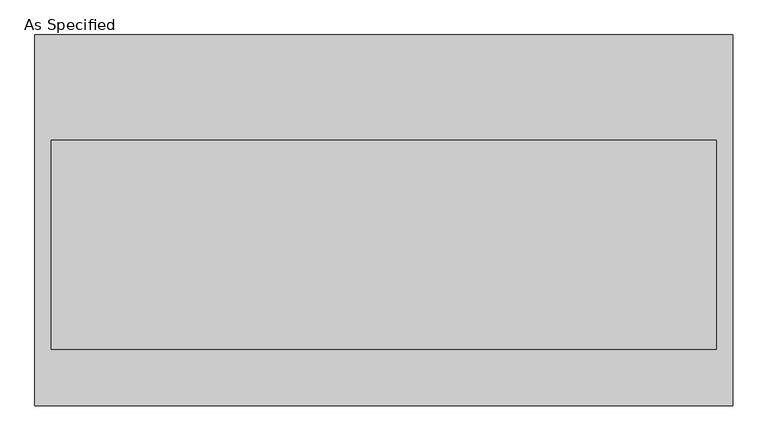
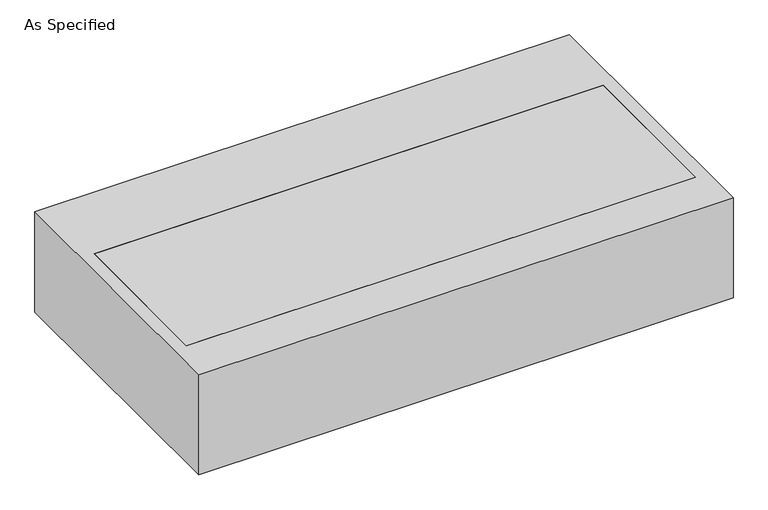
"""IFC4 building model written with IfcOpenShell, lengths in millimetres: proxy geometry, As Specified."""

import ifcopenshell
import ifcopenshell.guid

model = None  # the IFC model being written
_history = None  # IfcOwnerHistory: only IFC2X3 demands one
_inside = {}  # id of a spatial element -> (the spatial element, [elements in it])
_under = {}  # id of a project, library or spatial element -> (it, [spatial elements below it])
_declared = {}  # id of a project -> (the project, [libraries it declares])
_typed = {}  # id of a type object -> (the type object, [elements of that type])
_made_of = {}  # id of a material, layer set ... -> (it, [elements and type objects made of it])


def new_model(schema):
    """Start an empty IFC model of exactly this schema.

    Asked for "IFC4X3", IfcOpenShell would pick the latest addendum, in which some entities
    have other attributes; the version numbers below select the first issue.
    IFC2X3 requires an IfcOwnerHistory on every rooted entity: one is made here for all.
    """
    global model, _history
    if schema == "IFC4X3":
        model = ifcopenshell.file(schema_version=(4, 3, 0, 0))
    else:
        model = ifcopenshell.file(schema=schema)
    _inside.clear()
    _under.clear()
    _declared.clear()
    _typed.clear()
    _made_of.clear()
    _history = None
    if model.schema == "IFC2X3":
        org = make("IfcOrganization", Name="unknown")
        user = make(
            "IfcPersonAndOrganization",
            ThePerson=make("IfcPerson", FamilyName="unknown"),
            TheOrganization=org,
        )
        app = make(
            "IfcApplication",
            ApplicationDeveloper=org,
            Version="unknown",
            ApplicationFullName="unknown",
            ApplicationIdentifier="unknown",
        )
        _history = make(
            "IfcOwnerHistory",
            OwningUser=user,
            OwningApplication=app,
            ChangeAction="ADDED",
            CreationDate=0,
        )
    return model


def make(cls, **values):
    """One entity of the class cls with the attributes given. An attribute that is None is left unset."""
    return model.create_entity(
        cls, **{name: value for name, value in values.items() if value is not None}
    )


def rooted(cls, **values):
    """An entity with a GlobalId (a new one), such as an element, a storey or a relation."""
    return make(cls, GlobalId=ifcopenshell.guid.new(), OwnerHistory=_history, **values)


def si_unit(unit_type, name, prefix=None):
    """IfcSIUnit, for example si_unit("LENGTHUNIT", "METRE", prefix="MILLI")."""
    return make("IfcSIUnit", UnitType=unit_type, Prefix=prefix, Name=name)


def assignment(units):
    """IfcUnitAssignment: the units of a project."""
    return None if units is None else make("IfcUnitAssignment", Units=units)


def point(xyz):
    """IfcCartesianPoint."""
    return None if xyz is None else make("IfcCartesianPoint", Coordinates=xyz)


def direction(xyz):
    """IfcDirection."""
    return None if xyz is None else make("IfcDirection", DirectionRatios=xyz)


def frame(location, z_axis=None, x_axis=None):
    """IfcAxis2Placement3D, a coordinate frame: its origin and axes. An axis left out is left unset."""
    return make(
        "IfcAxis2Placement3D",
        Location=point(location),
        Axis=direction(z_axis),
        RefDirection=direction(x_axis),
    )


def origin():
    """The frame at (0, 0, 0) with its axes left unset."""
    return frame((0.0, 0.0, 0.0))


def place(relative_to, where):
    """IfcLocalPlacement: puts the frame where relative to a parent placement (None: the world)."""
    return make(
        "IfcLocalPlacement", PlacementRelTo=relative_to, RelativePlacement=where
    )


def context(
    kind, dimensions, precision=None, world=None, true_north=None, identifier=None
):
    """IfcGeometricRepresentationContext, for example the 3D "Model" context."""
    return make(
        "IfcGeometricRepresentationContext",
        ContextIdentifier=identifier,
        ContextType=kind,
        CoordinateSpaceDimension=dimensions,
        Precision=precision,
        WorldCoordinateSystem=world,
        TrueNorth=true_north,
    )


def project(units=None, contexts=None):
    """IfcProject with its units and contexts."""
    return rooted(
        "IfcProject",
        Name="project",
        RepresentationContexts=contexts,
        UnitsInContext=assignment(units),
    )


def spatial(cls, under=None, at=None, **own):
    """A site, building, storey or space (cls), placed at a placement, below another one or the project."""
    s = rooted(cls, ObjectPlacement=at, **own)
    if under is not None:
        _under.setdefault(under.id(), (under, []))[1].append(s)
    return s


def polyline(points):
    """IfcPolyline through the points."""
    return make("IfcPolyline", Points=[point(p) for p in points])


def outline(outer, holes=None, kind="AREA"):
    """IfcArbitraryClosedProfileDef: a profile drawn as a closed curve; with holes, ...WithVoids."""
    if holes is None:
        return make("IfcArbitraryClosedProfileDef", ProfileType=kind, OuterCurve=outer)
    return make(
        "IfcArbitraryProfileDefWithVoids",
        ProfileType=kind,
        OuterCurve=outer,
        InnerCurves=holes,
    )


def extrude(swept, where, along, depth):
    """IfcExtrudedAreaSolid: the profile swept, set in the frame where, extruded along a direction by depth."""
    return make(
        "IfcExtrudedAreaSolid",
        SweptArea=swept,
        Position=where,
        ExtrudedDirection=direction(along),
        Depth=depth,
    )


def shape(context_of_items, identifier, shape_type, items):
    """IfcShapeRepresentation: the items that make up one representation, for example the "Body"."""
    return make(
        "IfcShapeRepresentation",
        ContextOfItems=context_of_items,
        RepresentationIdentifier=identifier,
        RepresentationType=shape_type,
        Items=items,
    )


def source(mapping_origin, context_of_items, identifier, shape_type, items):
    """IfcRepresentationMap: a shape defined once, which mapped items show again and again."""
    return make(
        "IfcRepresentationMap",
        MappingOrigin=mapping_origin,
        MappedRepresentation=shape(context_of_items, identifier, shape_type, items),
    )


def transform(
    local_origin,
    x_axis=None,
    y_axis=None,
    z_axis=None,
    scale=None,
    scale2=None,
    scale3=None,
    uniform=True,
):
    """IfcCartesianTransformationOperator3D, or its non-uniform kind. x_axis, y_axis, z_axis: its Axis1, 2, 3."""
    if uniform:
        return make(
            "IfcCartesianTransformationOperator3D",
            Axis1=direction(x_axis),
            Axis2=direction(y_axis),
            LocalOrigin=point(local_origin),
            Scale=scale,
            Axis3=direction(z_axis),
        )
    return make(
        "IfcCartesianTransformationOperator3DnonUniform",
        Axis1=direction(x_axis),
        Axis2=direction(y_axis),
        LocalOrigin=point(local_origin),
        Scale=scale,
        Axis3=direction(z_axis),
        Scale2=scale2,
        Scale3=scale3,
    )


def mapped(mapping_source, mapping_target):
    """IfcMappedItem: shows the shape of a source again, moved by a transform."""
    return make(
        "IfcMappedItem", MappingSource=mapping_source, MappingTarget=mapping_target
    )


def made_of(thing, what):
    """Note that an element or type object is made of a material, layer set ...; save() writes the relation."""
    if what is not None:
        _made_of.setdefault(what.id(), (what, []))[1].append(thing)
    return thing


def element(
    cls,
    number,
    at=None,
    inside=None,
    cuts=None,
    type_object=None,
    material=None,
    context=None,
    identifier="Body",
    shape_type=None,
    held_by="IfcProductDefinitionShape",
    body=None,
    shapes=None,
    **own,
):
    """One element of the class cls, such as IfcWall. Its Tag is "e" and its number.

    at: its placement. inside: the storey or other place that contains it. cuts: it is an
    opening in that element (IfcRelVoidsElement). A single representation is given by context,
    identifier, shape_type and body (its items); several are given by shapes. held_by: the class
    of the entity that holds the representations. save() writes the other relations.
    """
    e = rooted(cls, Tag="e%d" % number, ObjectPlacement=at, **own)
    if body is not None:
        shapes = [shape(context, identifier, shape_type, body)]
    if shapes is not None:
        e.Representation = make(held_by, Representations=shapes)
    if inside is not None:
        _inside.setdefault(inside.id(), (inside, []))[1].append(e)
    if cuts is not None:
        rooted(
            "IfcRelVoidsElement", RelatingBuildingElement=cuts, RelatedOpeningElement=e
        )
    if type_object is not None:
        _typed.setdefault(type_object.id(), (type_object, []))[1].append(e)
    return made_of(e, material)


def aggregate(whole, parts):
    """IfcRelAggregates: a whole, such as a stair, and the parts it consists of."""
    return rooted("IfcRelAggregates", RelatingObject=whole, RelatedObjects=parts)


def save(model, path):
    """Write the relations noted so far, then the file.

    IfcRelAggregates (storeys below a building ...), IfcRelContainedInSpatialStructure (elements
    in a storey), IfcRelDefinesByType, IfcRelAssociatesMaterial and IfcRelDeclares: one each for
    every whole, place, type object, material and project.
    """
    for whole, parts in _under.values():
        aggregate(whole, parts)
    for where, things in _inside.values():
        rooted(
            "IfcRelContainedInSpatialStructure",
            RelatedElements=things,
            RelatingStructure=where,
        )
    for kind, things in _typed.values():
        rooted("IfcRelDefinesByType", RelatedObjects=things, RelatingType=kind)
    for what, things in _made_of.values():
        rooted("IfcRelAssociatesMaterial", RelatedObjects=things, RelatingMaterial=what)
    for by, libraries in _declared.values():
        rooted("IfcRelDeclares", RelatingContext=by, RelatedDefinitions=libraries)
    model.write(path)


def as_specified_2a5d1b35(model_context):
    return source(origin(), model_context, "Body", "SweptSolid", [
        extrude(outline(polyline([(-1273.175, -676.275), (-1273.175, 676.275), (1273.175, 676.275), (1273.175, -676.275), (-1273.175, -676.275)]), holes=[polyline([(1212.85, 292.1), (-1212.85, 292.1), (-1212.85, -469.9), (1212.85, -469.9), (1212.85, 292.1)])]), frame((0.0, 0.0, -530.225), z_axis=(0.0, 0.0, 1.0), x_axis=(1.0, 0.0, 0.0)), (0.0, 0.0, 1.0), 504.825),
        extrude(outline(polyline([(1212.85, 292.1), (1212.85, -469.9), (-1212.85, -469.9), (-1212.85, 292.1), (1212.85, 292.1)])), frame((0.0, 0.0, -530.225), z_axis=(0.0, 0.0, 1.0), x_axis=(1.0, 0.0, 0.0)), (0.0, 0.0, 1.0), 504.825),
    ])


if __name__ == "__main__":
    model = new_model("IFC4")
    model_context = context("Model", 3, world=origin())
    ifc_project = project(units=[si_unit("LENGTHUNIT", "METRE", prefix="MILLI")], contexts=[model_context])
    site = spatial("IfcSite", under=ifc_project)
    building = spatial("IfcBuilding", under=site)
    placement = place(None, origin())
    as_specified_shape = as_specified_2a5d1b35(model_context)
    element("IfcBuildingElementProxy", 1, Name="As Specified", ObjectType="As Specified", at=placement, inside=building, context=model_context, shape_type="MappedRepresentation", body=[
        mapped(as_specified_shape, transform((0.0, 0.0, 0.0), x_axis=(1.0, 0.0, 0.0), y_axis=(0.0, 1.0, 0.0), z_axis=(0.0, 0.0, 1.0))),
    ])
    save(model, "model.ifc")
